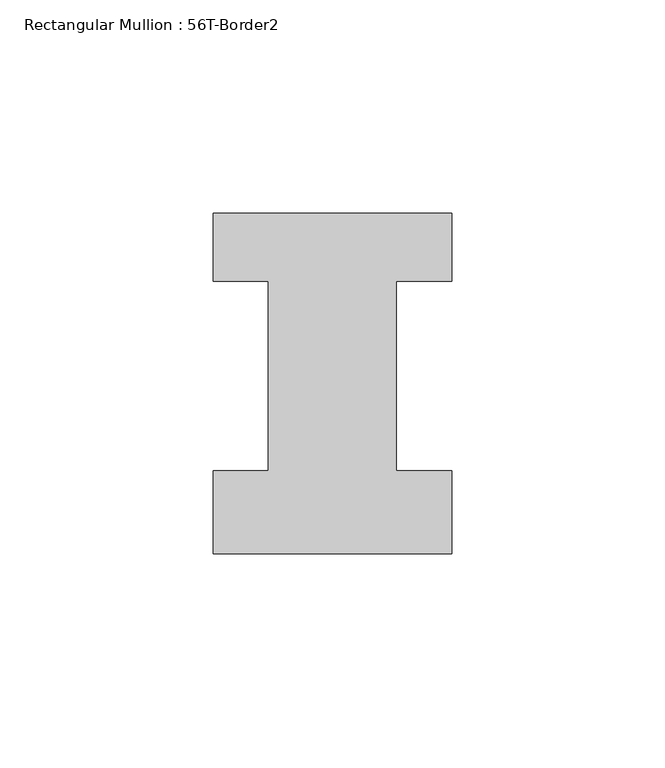
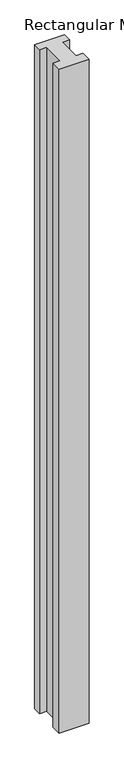
"""IFC4 building model written with IfcOpenShell, lengths in millimetres: member geometry, Rectangular Mullion : 56T-Border2."""

from ifc_helpers import new_model, si_unit, frame, origin, place, context, project, spatial, polyline, outline, extrude, source, transform, mapped, element, save


def rectangular_mullion_56t_border2_06fc9d18(model_context):
    return source(origin(), model_context, "Body", "SweptSolid", [
        extrude(outline(polyline([(0.0, -20.0), (-56.0, -20.0), (-56.0, -0.5), (-43.0, -0.5), (-43.0, 44.0), (-56.0, 44.0), (-56.0, 60.0), (0.0, 60.0), (0.0, 44.0), (-13.0, 44.0), (-13.0, -0.5), (0.0, -0.5), (0.0, -20.0)])), frame((0.0, 0.0, -1322.465707), z_axis=(0.0, 0.0, 1.0), x_axis=(1.0, 0.0, 0.0)), (0.0, 0.0, 1.0), 1322.465707),
    ])


if __name__ == "__main__":
    model = new_model("IFC4")
    model_context = context("Model", 3, world=origin())
    ifc_project = project(units=[si_unit("LENGTHUNIT", "METRE", prefix="MILLI")], contexts=[model_context])
    site = spatial("IfcSite", under=ifc_project)
    building = spatial("IfcBuilding", under=site)
    placement = place(None, origin())
    rectangular_mullion_56t_border2_shape = rectangular_mullion_56t_border2_06fc9d18(model_context)
    element("IfcMember", 1, ObjectType="Rectangular Mullion : 56T-Border2", at=placement, inside=building, context=model_context, shape_type="MappedRepresentation", body=[
        mapped(rectangular_mullion_56t_border2_shape, transform((0.0, 0.0, 0.0), x_axis=(1.0, 0.0, 0.0), y_axis=(0.0, 1.0, 0.0), z_axis=(0.0, 0.0, 1.0))),
    ])
    save(model, "model.ifc")
